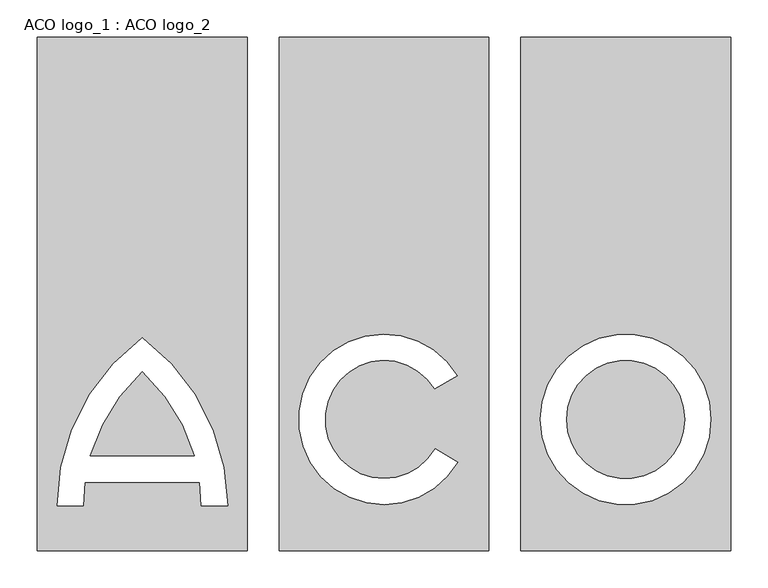
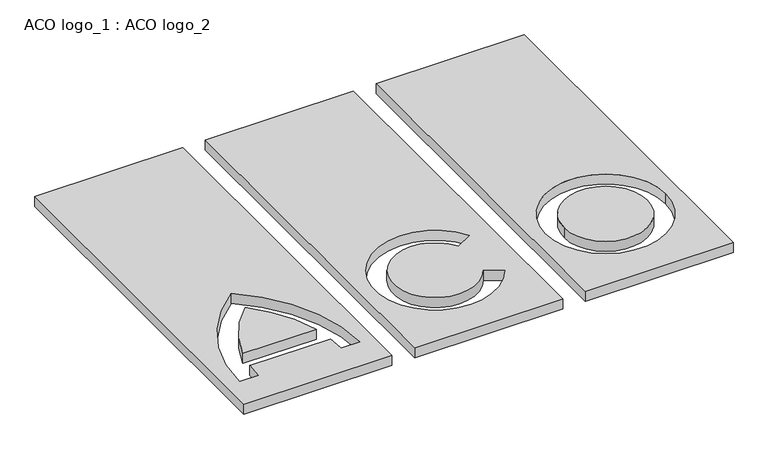
"""IFC4 building model written with IfcOpenShell, lengths in millimetres: proxy geometry, ACO logo_1 : ACO logo_2."""

import ifcopenshell
import ifcopenshell.guid

model = None  # the IFC model being written
_history = None  # IfcOwnerHistory: only IFC2X3 demands one
_inside = {}  # id of a spatial element -> (the spatial element, [elements in it])
_under = {}  # id of a project, library or spatial element -> (it, [spatial elements below it])
_declared = {}  # id of a project -> (the project, [libraries it declares])
_typed = {}  # id of a type object -> (the type object, [elements of that type])
_made_of = {}  # id of a material, layer set ... -> (it, [elements and type objects made of it])


def new_model(schema):
    """Start an empty IFC model of exactly this schema.

    Asked for "IFC4X3", IfcOpenShell would pick the latest addendum, in which some entities
    have other attributes; the version numbers below select the first issue.
    IFC2X3 requires an IfcOwnerHistory on every rooted entity: one is made here for all.
    """
    global model, _history
    if schema == "IFC4X3":
        model = ifcopenshell.file(schema_version=(4, 3, 0, 0))
    else:
        model = ifcopenshell.file(schema=schema)
    _inside.clear()
    _under.clear()
    _declared.clear()
    _typed.clear()
    _made_of.clear()
    _history = None
    if model.schema == "IFC2X3":
        org = make("IfcOrganization", Name="unknown")
        user = make(
            "IfcPersonAndOrganization",
            ThePerson=make("IfcPerson", FamilyName="unknown"),
            TheOrganization=org,
        )
        app = make(
            "IfcApplication",
            ApplicationDeveloper=org,
            Version="unknown",
            ApplicationFullName="unknown",
            ApplicationIdentifier="unknown",
        )
        _history = make(
            "IfcOwnerHistory",
            OwningUser=user,
            OwningApplication=app,
            ChangeAction="ADDED",
            CreationDate=0,
        )
    return model


def make(cls, **values):
    """One entity of the class cls with the attributes given. An attribute that is None is left unset."""
    return model.create_entity(
        cls, **{name: value for name, value in values.items() if value is not None}
    )


def rooted(cls, **values):
    """An entity with a GlobalId (a new one), such as an element, a storey or a relation."""
    return make(cls, GlobalId=ifcopenshell.guid.new(), OwnerHistory=_history, **values)


def si_unit(unit_type, name, prefix=None):
    """IfcSIUnit, for example si_unit("LENGTHUNIT", "METRE", prefix="MILLI")."""
    return make("IfcSIUnit", UnitType=unit_type, Prefix=prefix, Name=name)


def assignment(units):
    """IfcUnitAssignment: the units of a project."""
    return None if units is None else make("IfcUnitAssignment", Units=units)


def point(xyz):
    """IfcCartesianPoint."""
    return None if xyz is None else make("IfcCartesianPoint", Coordinates=xyz)


def direction(xyz):
    """IfcDirection."""
    return None if xyz is None else make("IfcDirection", DirectionRatios=xyz)


def frame(location, z_axis=None, x_axis=None):
    """IfcAxis2Placement3D, a coordinate frame: its origin and axes. An axis left out is left unset."""
    return make(
        "IfcAxis2Placement3D",
        Location=point(location),
        Axis=direction(z_axis),
        RefDirection=direction(x_axis),
    )


def frame_2d(location, x_axis=None):
    """IfcAxis2Placement2D, a coordinate frame in the plane: its origin and x axis."""
    return make(
        "IfcAxis2Placement2D", Location=point(location), RefDirection=direction(x_axis)
    )


def origin():
    """The frame at (0, 0, 0) with its axes left unset."""
    return frame((0.0, 0.0, 0.0))


def origin_with_axes():
    """The frame at (0, 0, 0) with the z axis (0, 0, 1) and the x axis (1, 0, 0) written out."""
    return frame((0.0, 0.0, 0.0), z_axis=(0.0, 0.0, 1.0), x_axis=(1.0, 0.0, 0.0))


def origin_2d():
    """The frame at (0, 0) in the plane with its x axis left unset."""
    return frame_2d((0.0, 0.0))


def place(relative_to, where):
    """IfcLocalPlacement: puts the frame where relative to a parent placement (None: the world)."""
    return make(
        "IfcLocalPlacement", PlacementRelTo=relative_to, RelativePlacement=where
    )


def context(
    kind, dimensions, precision=None, world=None, true_north=None, identifier=None
):
    """IfcGeometricRepresentationContext, for example the 3D "Model" context."""
    return make(
        "IfcGeometricRepresentationContext",
        ContextIdentifier=identifier,
        ContextType=kind,
        CoordinateSpaceDimension=dimensions,
        Precision=precision,
        WorldCoordinateSystem=world,
        TrueNorth=true_north,
    )


def project(units=None, contexts=None):
    """IfcProject with its units and contexts."""
    return rooted(
        "IfcProject",
        Name="project",
        RepresentationContexts=contexts,
        UnitsInContext=assignment(units),
    )


def spatial(cls, under=None, at=None, **own):
    """A site, building, storey or space (cls), placed at a placement, below another one or the project."""
    s = rooted(cls, ObjectPlacement=at, **own)
    if under is not None:
        _under.setdefault(under.id(), (under, []))[1].append(s)
    return s


def polyline(points):
    """IfcPolyline through the points."""
    return make("IfcPolyline", Points=[point(p) for p in points])


def circle_curve(where, radius):
    """IfcCircle in the frame where."""
    return make("IfcCircle", Position=where, Radius=radius)


def trimmed(basis, trim1, trim2, sense, master):
    """IfcTrimmedCurve: the piece of a basis curve between two trims."""
    return make(
        "IfcTrimmedCurve",
        BasisCurve=basis,
        Trim1=trim1,
        Trim2=trim2,
        SenseAgreement=sense,
        MasterRepresentation=master,
    )


def segment(curve, same_sense, transition):
    """IfcCompositeCurveSegment."""
    return make(
        "IfcCompositeCurveSegment",
        Transition=transition,
        SameSense=same_sense,
        ParentCurve=curve,
    )


def composite_curve(segments, self_intersect=None):
    """IfcCompositeCurve: segments joined end to end."""
    return make("IfcCompositeCurve", Segments=segments, SelfIntersect=self_intersect)


def outline(outer, holes=None, kind="AREA"):
    """IfcArbitraryClosedProfileDef: a profile drawn as a closed curve; with holes, ...WithVoids."""
    if holes is None:
        return make("IfcArbitraryClosedProfileDef", ProfileType=kind, OuterCurve=outer)
    return make(
        "IfcArbitraryProfileDefWithVoids",
        ProfileType=kind,
        OuterCurve=outer,
        InnerCurves=holes,
    )


def extrude(swept, where, along, depth):
    """IfcExtrudedAreaSolid: the profile swept, set in the frame where, extruded along a direction by depth."""
    return make(
        "IfcExtrudedAreaSolid",
        SweptArea=swept,
        Position=where,
        ExtrudedDirection=direction(along),
        Depth=depth,
    )


def shape(context_of_items, identifier, shape_type, items):
    """IfcShapeRepresentation: the items that make up one representation, for example the "Body"."""
    return make(
        "IfcShapeRepresentation",
        ContextOfItems=context_of_items,
        RepresentationIdentifier=identifier,
        RepresentationType=shape_type,
        Items=items,
    )


def source(mapping_origin, context_of_items, identifier, shape_type, items):
    """IfcRepresentationMap: a shape defined once, which mapped items show again and again."""
    return make(
        "IfcRepresentationMap",
        MappingOrigin=mapping_origin,
        MappedRepresentation=shape(context_of_items, identifier, shape_type, items),
    )


def transform(
    local_origin,
    x_axis=None,
    y_axis=None,
    z_axis=None,
    scale=None,
    scale2=None,
    scale3=None,
    uniform=True,
):
    """IfcCartesianTransformationOperator3D, or its non-uniform kind. x_axis, y_axis, z_axis: its Axis1, 2, 3."""
    if uniform:
        return make(
            "IfcCartesianTransformationOperator3D",
            Axis1=direction(x_axis),
            Axis2=direction(y_axis),
            LocalOrigin=point(local_origin),
            Scale=scale,
            Axis3=direction(z_axis),
        )
    return make(
        "IfcCartesianTransformationOperator3DnonUniform",
        Axis1=direction(x_axis),
        Axis2=direction(y_axis),
        LocalOrigin=point(local_origin),
        Scale=scale,
        Axis3=direction(z_axis),
        Scale2=scale2,
        Scale3=scale3,
    )


def mapped(mapping_source, mapping_target):
    """IfcMappedItem: shows the shape of a source again, moved by a transform."""
    return make(
        "IfcMappedItem", MappingSource=mapping_source, MappingTarget=mapping_target
    )


def made_of(thing, what):
    """Note that an element or type object is made of a material, layer set ...; save() writes the relation."""
    if what is not None:
        _made_of.setdefault(what.id(), (what, []))[1].append(thing)
    return thing


def element(
    cls,
    number,
    at=None,
    inside=None,
    cuts=None,
    type_object=None,
    material=None,
    context=None,
    identifier="Body",
    shape_type=None,
    held_by="IfcProductDefinitionShape",
    body=None,
    shapes=None,
    **own,
):
    """One element of the class cls, such as IfcWall. Its Tag is "e" and its number.

    at: its placement. inside: the storey or other place that contains it. cuts: it is an
    opening in that element (IfcRelVoidsElement). A single representation is given by context,
    identifier, shape_type and body (its items); several are given by shapes. held_by: the class
    of the entity that holds the representations. save() writes the other relations.
    """
    e = rooted(cls, Tag="e%d" % number, ObjectPlacement=at, **own)
    if body is not None:
        shapes = [shape(context, identifier, shape_type, body)]
    if shapes is not None:
        e.Representation = make(held_by, Representations=shapes)
    if inside is not None:
        _inside.setdefault(inside.id(), (inside, []))[1].append(e)
    if cuts is not None:
        rooted(
            "IfcRelVoidsElement", RelatingBuildingElement=cuts, RelatedOpeningElement=e
        )
    if type_object is not None:
        _typed.setdefault(type_object.id(), (type_object, []))[1].append(e)
    return made_of(e, material)


def aggregate(whole, parts):
    """IfcRelAggregates: a whole, such as a stair, and the parts it consists of."""
    return rooted("IfcRelAggregates", RelatingObject=whole, RelatedObjects=parts)


def save(model, path):
    """Write the relations noted so far, then the file.

    IfcRelAggregates (storeys below a building ...), IfcRelContainedInSpatialStructure (elements
    in a storey), IfcRelDefinesByType, IfcRelAssociatesMaterial and IfcRelDeclares: one each for
    every whole, place, type object, material and project.
    """
    for whole, parts in _under.values():
        aggregate(whole, parts)
    for where, things in _inside.values():
        rooted(
            "IfcRelContainedInSpatialStructure",
            RelatedElements=things,
            RelatingStructure=where,
        )
    for kind, things in _typed.values():
        rooted("IfcRelDefinesByType", RelatedObjects=things, RelatingType=kind)
    for what, things in _made_of.values():
        rooted("IfcRelAssociatesMaterial", RelatedObjects=things, RelatingMaterial=what)
    for by, libraries in _declared.values():
        rooted("IfcRelDeclares", RelatingContext=by, RelatedDefinitions=libraries)
    model.write(path)


def aco_logo_1_aco_logo_2_fd4f08f5(model_context):
    return source(origin(), model_context, "Body", "SweptSolid", [
        extrude(outline(composite_curve([segment(trimmed(circle_curve(frame_2d((322.6916659, 0.0)), 78.8446383), [point((243.8470276, 0.0))], [point((401.5363043, 0.0))], False, "CARTESIAN"), True, "CONTINUOUS"), segment(trimmed(circle_curve(frame_2d((322.6916659, 0.0)), 78.8446383), [point((401.5363043, 0.0))], [point((243.8470276, 0.0))], False, "CARTESIAN"), True, "CONTINUOUS")], self_intersect=False)), origin_with_axes(), (0.0, 0.0, 1.0), 20.0),
        extrude(outline(composite_curve([segment(trimmed(circle_curve(frame_2d((-489.1421711, -116.655693)), 245.2949397), [point((-322.6918325, 63.5216981))], [point((-253.4274551, -48.7721153))], False, "CARTESIAN"), True, "CONTINUOUS"), segment(polyline([(-253.4274551, -48.7721153), (-391.9570627, -48.7721153)]), True, "CONTINUOUS"), segment(trimmed(circle_curve(frame_2d((-156.2447263, -116.6554892)), 245.2925967), [point((-391.9570627, -48.7721153))], [point((-322.6918325, 63.5216981))], False, "CARTESIAN"), True, "CONTINUOUS")], self_intersect=False)), origin_with_axes(), (0.0, 0.0, 1.0), 20.0),
        extrude(outline(polyline([(-182.6922589, -175.0), (-462.6922589, -175.0), (-462.6922589, 510.0), (-182.6922589, 510.0), (-182.6922589, -175.0)]), holes=[composite_curve([segment(trimmed(circle_curve(frame_2d((-489.1421711, -116.655693)), 245.2949397), [point((-246.0556797, -83.8141768))], [point((-243.8503465, -115.4194717))], False, "CARTESIAN"), True, "CONTINUOUS"), segment(polyline([(-243.8503465, -115.4194717), (-208.8078956, -115.4194717)]), True, "CONTINUOUS"), segment(trimmed(circle_curve(frame_2d((-489.1421711, -116.655693)), 280.3370012), [point((-208.8078956, -115.4194717))], [point((-322.691871, 108.917204))], True, "CARTESIAN"), True, "CONTINUOUS"), segment(trimmed(circle_curve(frame_2d((-156.2447263, -116.6554892)), 280.3349638), [point((-322.691871, 108.917204))], [point((-436.5769652, -115.4194717))], True, "CARTESIAN"), True, "CONTINUOUS"), segment(polyline([(-436.5769652, -115.4194717), (-401.533291, -115.4194717)]), True, "CONTINUOUS"), segment(trimmed(circle_curve(frame_2d((-156.2414664, -116.655693)), 245.2949397), [point((-401.533291, -115.4194717))], [point((-399.3279577, -83.8141768))], False, "CARTESIAN"), True, "CONTINUOUS"), segment(polyline([(-399.3279577, -83.8141768), (-246.0556797, -83.8141768)]), True, "CONTINUOUS")], self_intersect=False)]), origin_with_axes(), (0.0, 0.0, 1.0), 20.0),
        extrude(outline(polyline([(140.0, -175.0), (-140.0, -175.0), (-140.0, 510.0), (140.0, 510.0), (140.0, -175.0)]), holes=[composite_curve([segment(trimmed(circle_curve(origin_2d(), 78.8445365), [point((68.281376, -39.4222605))], [point((67.5433761, 40.6737418))], False, "CARTESIAN"), True, "CONTINUOUS"), segment(polyline([(67.5433761, 40.6737418), (97.8942123, 58.1969105)]), True, "CONTINUOUS"), segment(trimmed(circle_curve(origin_2d(), 113.8865979), [point((97.8942123, 58.1969105))], [point((98.6286808, -56.9433097))], True, "CARTESIAN"), True, "CONTINUOUS"), segment(polyline([(98.6286808, -56.9433097), (68.281376, -39.4222605)]), True, "CONTINUOUS")], self_intersect=False)]), origin_with_axes(), (0.0, 0.0, 1.0), 20.0),
        extrude(outline(polyline([(462.6916659, -175.0), (182.6916659, -175.0), (182.6916659, 510.0), (462.6916659, 510.0), (462.6916659, -175.0)]), holes=[composite_curve([segment(trimmed(circle_curve(frame_2d((322.6916659, 0.0)), 113.8866998), [point((208.8049661, 0.0))], [point((436.5783657, 0.0))], True, "CARTESIAN"), True, "CONTINUOUS"), segment(trimmed(circle_curve(frame_2d((322.6916659, 0.0)), 113.8866998), [point((436.5783657, 0.0))], [point((208.8049661, 0.0))], True, "CARTESIAN"), True, "CONTINUOUS")], self_intersect=False)]), origin_with_axes(), (0.0, 0.0, 1.0), 20.0),
    ])


if __name__ == "__main__":
    model = new_model("IFC4")
    model_context = context("Model", 3, world=origin())
    ifc_project = project(units=[si_unit("LENGTHUNIT", "METRE", prefix="MILLI")], contexts=[model_context])
    site = spatial("IfcSite", under=ifc_project)
    building = spatial("IfcBuilding", under=site)
    placement = place(None, origin())
    aco_logo_1_aco_logo_2_shape = aco_logo_1_aco_logo_2_fd4f08f5(model_context)
    element("IfcBuildingElementProxy", 1, Name="ACO logo_1 : ACO logo_2", ObjectType="ACO logo_1 : ACO logo_2", at=placement, inside=building, context=model_context, shape_type="MappedRepresentation", body=[
        mapped(aco_logo_1_aco_logo_2_shape, transform((0.0, 0.0, 0.0), x_axis=(1.0, 0.0, 0.0), y_axis=(0.0, 1.0, 0.0), z_axis=(0.0, 0.0, 1.0))),
    ])
    save(model, "model.ifc")
